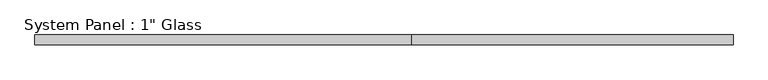
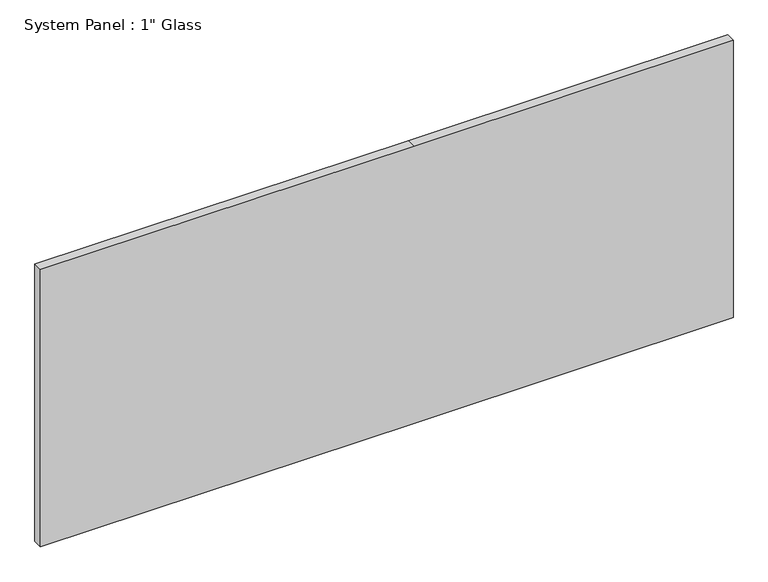
"""IFC4 building model written with IfcOpenShell, lengths in millimetres: plate geometry."""

from ifc_helpers import new_model, si_unit, frame, origin, place, context, project, spatial, polyline, outline, extrude, source, transform, mapped, element, save


def plate_a6ffb80f(model_context):
    return source(origin(), model_context, "Body", "SweptSolid", [
        extrude(outline(polyline([(0.0, -918.0091185), (0.0, 72.5908815), (0.0, 918.0091185), (777.875, 918.0091185), (777.875, 72.5908815), (777.875, -918.0091185), (0.0, -918.0091185)])), frame((0.0, -12.7, 0.0), z_axis=(0.0, 1.0, 0.0), x_axis=(0.0, 0.0, 1.0)), (0.0, 0.0, 1.0), 25.4),
    ])


if __name__ == "__main__":
    model = new_model("IFC4")
    model_context = context("Model", 3, world=origin())
    ifc_project = project(units=[si_unit("LENGTHUNIT", "METRE", prefix="MILLI")], contexts=[model_context])
    site = spatial("IfcSite", under=ifc_project)
    building = spatial("IfcBuilding", under=site)
    placement = place(None, origin())
    plate_shape = plate_a6ffb80f(model_context)
    element("IfcPlate", 1, ObjectType="System Panel : 1\" Glass", at=placement, inside=building, context=model_context, shape_type="MappedRepresentation", body=[
        mapped(plate_shape, transform((0.0, 0.0, 0.0), x_axis=(1.0, 0.0, 0.0), y_axis=(0.0, 1.0, 0.0), z_axis=(0.0, 0.0, 1.0))),
    ])
    save(model, "model.ifc")
